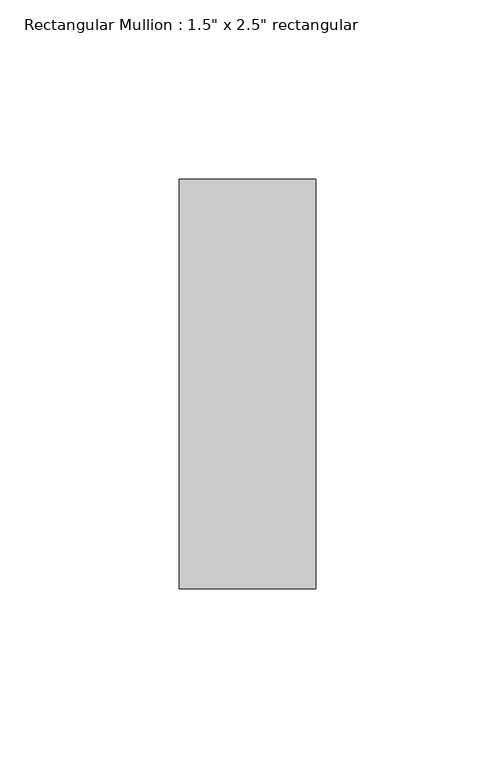
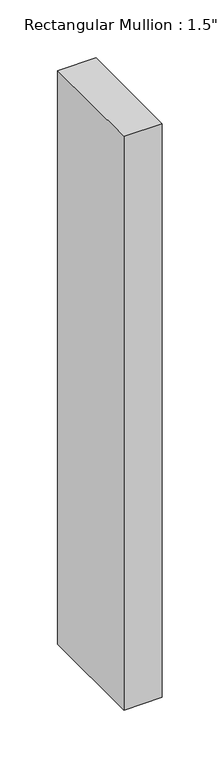
"""IFC4 building model written with IfcOpenShell, lengths in millimetres: member geometry."""

from ifc_helpers import new_model, si_unit, frame, origin, place, context, project, spatial, polyline, outline, extrude, source, transform, mapped, element, save


def member_89638b0a(model_context):
    return source(origin(), model_context, "Body", "SweptSolid", [
        extrude(outline(polyline([(0.0, 57.15), (0.0, -57.15), (-38.1, -57.15), (-38.1, 57.15), (0.0, 57.15)])), frame((0.0, 0.0, -604.04375), z_axis=(0.0, 0.0, 1.0), x_axis=(1.0, 0.0, 0.0)), (0.0, 0.0, 1.0), 604.04375),
    ])


if __name__ == "__main__":
    model = new_model("IFC4")
    model_context = context("Model", 3, world=origin())
    ifc_project = project(units=[si_unit("LENGTHUNIT", "METRE", prefix="MILLI")], contexts=[model_context])
    site = spatial("IfcSite", under=ifc_project)
    building = spatial("IfcBuilding", under=site)
    placement = place(None, origin())
    member_shape = member_89638b0a(model_context)
    element("IfcMember", 1, ObjectType="Rectangular Mullion : 1.5\" x 2.5\" rectangular", at=placement, inside=building, context=model_context, shape_type="MappedRepresentation", body=[
        mapped(member_shape, transform((0.0, 0.0, 0.0), x_axis=(1.0, 0.0, 0.0), y_axis=(0.0, 1.0, 0.0), z_axis=(0.0, 0.0, 1.0))),
    ])
    save(model, "model.ifc")
